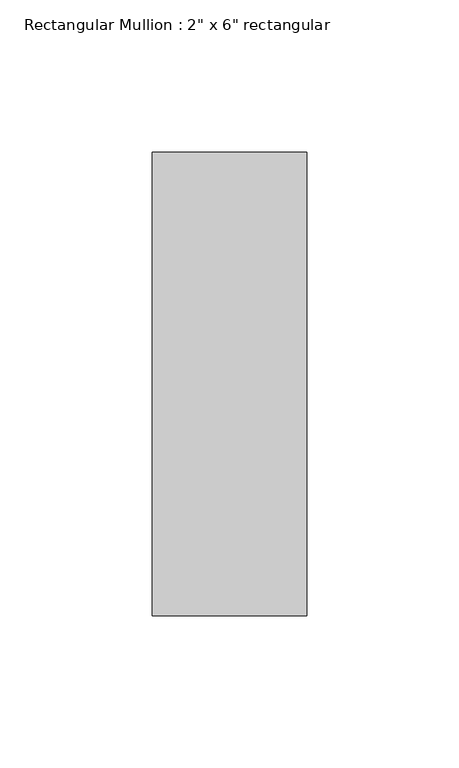
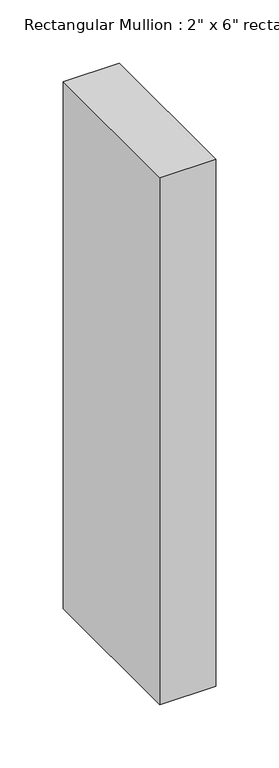
"""IFC4 building model written with IfcOpenShell, lengths in millimetres: member geometry."""

from ifc_helpers import new_model, si_unit, frame, origin, place, context, project, spatial, polyline, outline, extrude, source, transform, mapped, element, save


def member_1e95e444(model_context):
    return source(origin(), model_context, "Body", "SweptSolid", [
        extrude(outline(polyline([(0.0, 76.2), (0.0, -76.2), (-50.8, -76.2), (-50.8, 76.2), (0.0, 76.2)])), frame((0.0, 0.0, -508.0), z_axis=(0.0, 0.0, 1.0), x_axis=(1.0, 0.0, 0.0)), (0.0, 0.0, 1.0), 508.0),
    ])


if __name__ == "__main__":
    model = new_model("IFC4")
    model_context = context("Model", 3, world=origin())
    ifc_project = project(units=[si_unit("LENGTHUNIT", "METRE", prefix="MILLI")], contexts=[model_context])
    site = spatial("IfcSite", under=ifc_project)
    building = spatial("IfcBuilding", under=site)
    placement = place(None, origin())
    member_shape = member_1e95e444(model_context)
    element("IfcMember", 1, ObjectType="Rectangular Mullion : 2\" x 6\" rectangular", at=placement, inside=building, context=model_context, shape_type="MappedRepresentation", body=[
        mapped(member_shape, transform((0.0, 0.0, 0.0), x_axis=(1.0, 0.0, 0.0), y_axis=(0.0, 1.0, 0.0), z_axis=(0.0, 0.0, 1.0))),
    ])
    save(model, "model.ifc")
